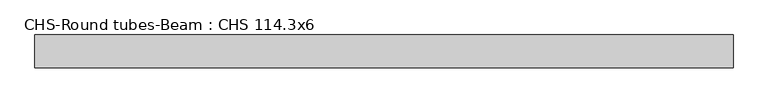
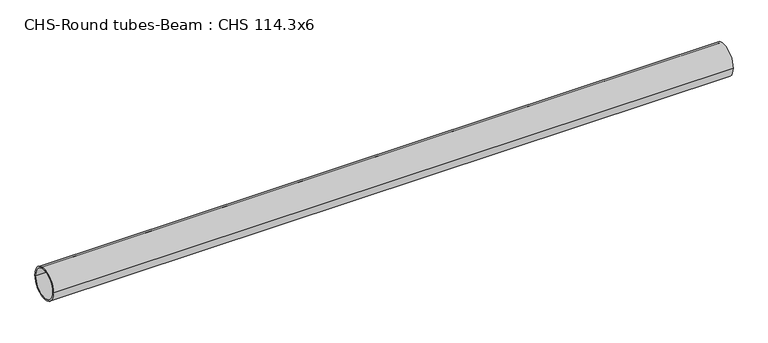
"""IFC4 building model written with IfcOpenShell, lengths in millimetres: beam geometry, CHS-Round tubes-Beam : CHS 114.3x6."""

from ifc_helpers import new_model, si_unit, point, frame, origin, origin_2d, place, context, project, spatial, circle_curve, trimmed, segment, composite_curve, outline, extrude, source, transform, mapped, element, save


def chs_round_tubes_beam_chs_114_3x6_49f19db0(model_context):
    return source(origin(), model_context, "Body", "SweptSolid", [
        extrude(outline(composite_curve([segment(trimmed(circle_curve(origin_2d(), 57.15), [point((57.15, 0.0))], [point((-57.15, 0.0))], False, "CARTESIAN"), True, "CONTINUOUS"), segment(trimmed(circle_curve(origin_2d(), 57.15), [point((-57.15, 0.0))], [point((57.15, 0.0))], False, "CARTESIAN"), True, "CONTINUOUS")], self_intersect=False), holes=[composite_curve([segment(trimmed(circle_curve(origin_2d(), 51.15), [point((51.15, 0.0))], [point((-51.15, 0.0))], True, "CARTESIAN"), True, "CONTINUOUS"), segment(trimmed(circle_curve(origin_2d(), 51.15), [point((-51.15, 0.0))], [point((51.15, 0.0))], True, "CARTESIAN"), True, "CONTINUOUS")], self_intersect=False)]), frame((-1205.2506022, 0.0, 0.0), z_axis=(1.0, 0.0, 0.0), x_axis=(0.0, 1.0, 0.0)), (0.0, 0.0, 1.0), 2434.6037432),
    ])


if __name__ == "__main__":
    model = new_model("IFC4")
    model_context = context("Model", 3, world=origin())
    ifc_project = project(units=[si_unit("LENGTHUNIT", "METRE", prefix="MILLI")], contexts=[model_context])
    site = spatial("IfcSite", under=ifc_project)
    building = spatial("IfcBuilding", under=site)
    placement = place(None, origin())
    chs_round_tubes_beam_chs_114_3x6_shape = chs_round_tubes_beam_chs_114_3x6_49f19db0(model_context)
    element("IfcBeam", 1, ObjectType="CHS-Round tubes-Beam : CHS 114.3x6", at=placement, inside=building, context=model_context, shape_type="MappedRepresentation", body=[
        mapped(chs_round_tubes_beam_chs_114_3x6_shape, transform((0.0, 0.0, 0.0), x_axis=(1.0, 0.0, 0.0), y_axis=(0.0, 1.0, 0.0), z_axis=(0.0, 0.0, 1.0))),
    ])
    save(model, "model.ifc")
